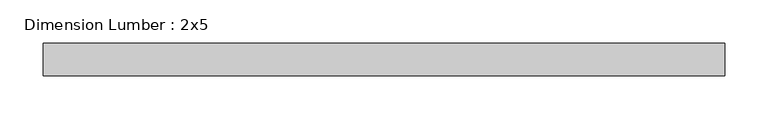
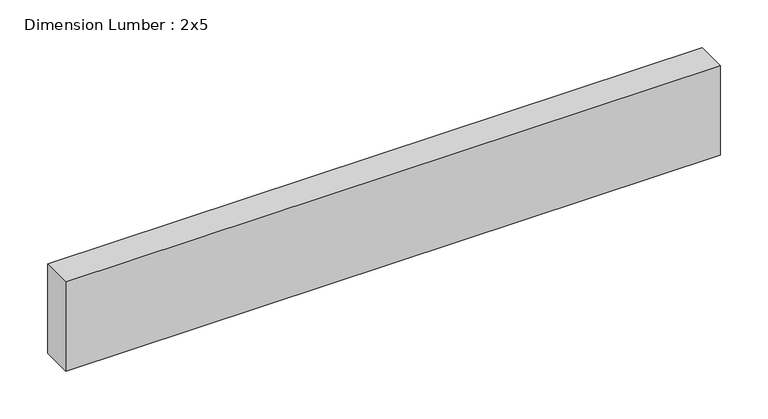
"""IFC4 building model written with IfcOpenShell, lengths in millimetres: beam geometry, Dimension Lumber : 2x5."""

from ifc_helpers import new_model, si_unit, frame, origin, place, context, project, spatial, polyline, outline, extrude, source, transform, mapped, element, save


def dimension_lumber_2x5_470b20a3(model_context):
    return source(origin(), model_context, "Body", "SweptSolid", [
        extrude(outline(polyline([(396.1732193, 19.05), (396.1732193, -19.05), (-396.1732193, -19.05), (-396.1732193, 19.05), (396.1732193, 19.05)])), frame((0.0, 0.0, -57.15), z_axis=(0.0, 0.0, 1.0), x_axis=(1.0, 0.0, 0.0)), (0.0, 0.0, 1.0), 114.3),
    ])


if __name__ == "__main__":
    model = new_model("IFC4")
    model_context = context("Model", 3, world=origin())
    ifc_project = project(units=[si_unit("LENGTHUNIT", "METRE", prefix="MILLI")], contexts=[model_context])
    site = spatial("IfcSite", under=ifc_project)
    building = spatial("IfcBuilding", under=site)
    placement = place(None, origin())
    dimension_lumber_2x5_shape = dimension_lumber_2x5_470b20a3(model_context)
    element("IfcBeam", 1, ObjectType="Dimension Lumber : 2x5", at=placement, inside=building, context=model_context, shape_type="MappedRepresentation", body=[
        mapped(dimension_lumber_2x5_shape, transform((0.0, 0.0, 0.0), x_axis=(1.0, 0.0, 0.0), y_axis=(0.0, 1.0, 0.0), z_axis=(0.0, 0.0, 1.0))),
    ])
    save(model, "model.ifc")
